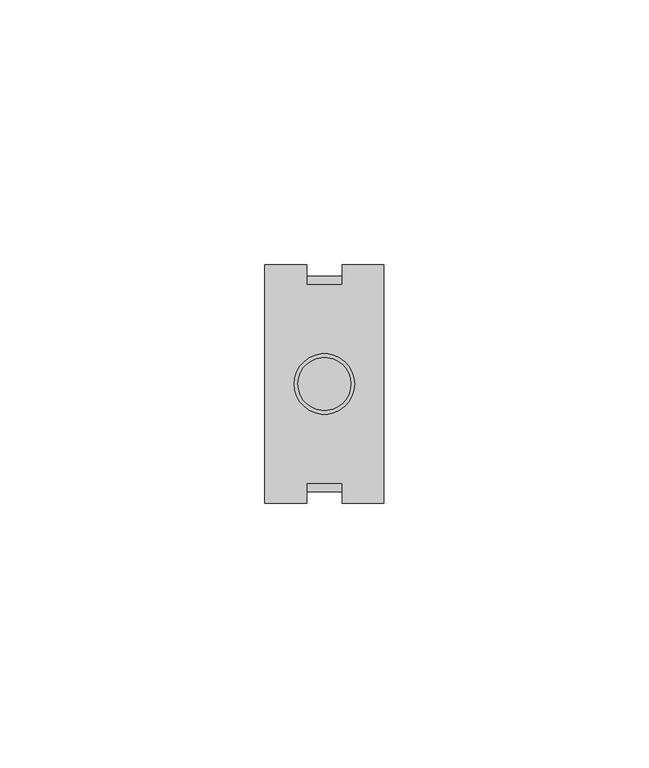
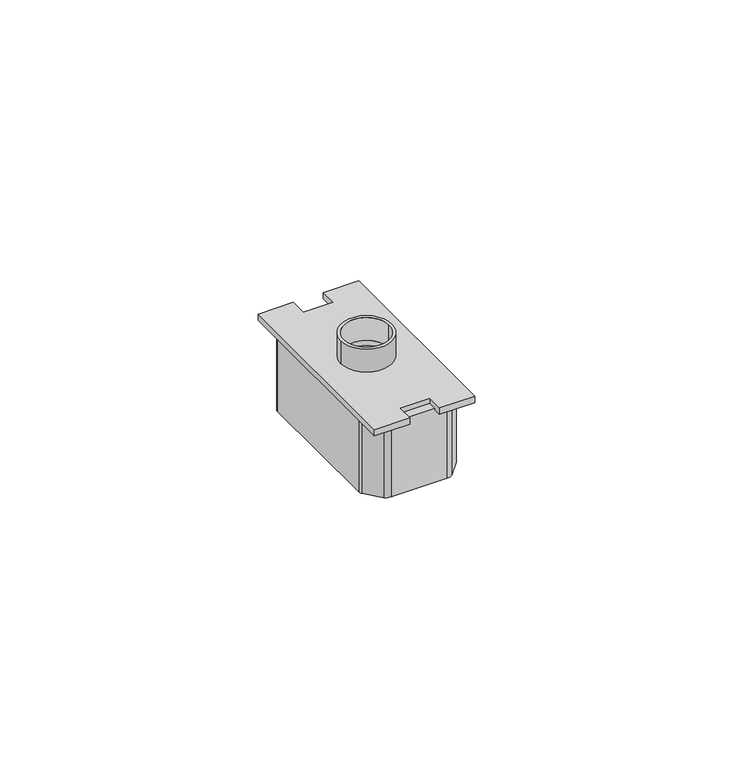
"""IFC4 building model written with IfcOpenShell, lengths in millimetres: proxy geometry."""

import ifcopenshell
import ifcopenshell.guid

model = None  # the IFC model being written
_history = None  # IfcOwnerHistory: only IFC2X3 demands one
_inside = {}  # id of a spatial element -> (the spatial element, [elements in it])
_under = {}  # id of a project, library or spatial element -> (it, [spatial elements below it])
_declared = {}  # id of a project -> (the project, [libraries it declares])
_typed = {}  # id of a type object -> (the type object, [elements of that type])
_made_of = {}  # id of a material, layer set ... -> (it, [elements and type objects made of it])


def new_model(schema):
    """Start an empty IFC model of exactly this schema.

    Asked for "IFC4X3", IfcOpenShell would pick the latest addendum, in which some entities
    have other attributes; the version numbers below select the first issue.
    IFC2X3 requires an IfcOwnerHistory on every rooted entity: one is made here for all.
    """
    global model, _history
    if schema == "IFC4X3":
        model = ifcopenshell.file(schema_version=(4, 3, 0, 0))
    else:
        model = ifcopenshell.file(schema=schema)
    _inside.clear()
    _under.clear()
    _declared.clear()
    _typed.clear()
    _made_of.clear()
    _history = None
    if model.schema == "IFC2X3":
        org = make("IfcOrganization", Name="unknown")
        user = make(
            "IfcPersonAndOrganization",
            ThePerson=make("IfcPerson", FamilyName="unknown"),
            TheOrganization=org,
        )
        app = make(
            "IfcApplication",
            ApplicationDeveloper=org,
            Version="unknown",
            ApplicationFullName="unknown",
            ApplicationIdentifier="unknown",
        )
        _history = make(
            "IfcOwnerHistory",
            OwningUser=user,
            OwningApplication=app,
            ChangeAction="ADDED",
            CreationDate=0,
        )
    return model


def make(cls, **values):
    """One entity of the class cls with the attributes given. An attribute that is None is left unset."""
    return model.create_entity(
        cls, **{name: value for name, value in values.items() if value is not None}
    )


def rooted(cls, **values):
    """An entity with a GlobalId (a new one), such as an element, a storey or a relation."""
    return make(cls, GlobalId=ifcopenshell.guid.new(), OwnerHistory=_history, **values)


def si_unit(unit_type, name, prefix=None):
    """IfcSIUnit, for example si_unit("LENGTHUNIT", "METRE", prefix="MILLI")."""
    return make("IfcSIUnit", UnitType=unit_type, Prefix=prefix, Name=name)


def assignment(units):
    """IfcUnitAssignment: the units of a project."""
    return None if units is None else make("IfcUnitAssignment", Units=units)


def point(xyz):
    """IfcCartesianPoint."""
    return None if xyz is None else make("IfcCartesianPoint", Coordinates=xyz)


def direction(xyz):
    """IfcDirection."""
    return None if xyz is None else make("IfcDirection", DirectionRatios=xyz)


def frame(location, z_axis=None, x_axis=None):
    """IfcAxis2Placement3D, a coordinate frame: its origin and axes. An axis left out is left unset."""
    return make(
        "IfcAxis2Placement3D",
        Location=point(location),
        Axis=direction(z_axis),
        RefDirection=direction(x_axis),
    )


def frame_2d(location, x_axis=None):
    """IfcAxis2Placement2D, a coordinate frame in the plane: its origin and x axis."""
    return make(
        "IfcAxis2Placement2D", Location=point(location), RefDirection=direction(x_axis)
    )


def origin():
    """The frame at (0, 0, 0) with its axes left unset."""
    return frame((0.0, 0.0, 0.0))


def origin_with_axes():
    """The frame at (0, 0, 0) with the z axis (0, 0, 1) and the x axis (1, 0, 0) written out."""
    return frame((0.0, 0.0, 0.0), z_axis=(0.0, 0.0, 1.0), x_axis=(1.0, 0.0, 0.0))


def place(relative_to, where):
    """IfcLocalPlacement: puts the frame where relative to a parent placement (None: the world)."""
    return make(
        "IfcLocalPlacement", PlacementRelTo=relative_to, RelativePlacement=where
    )


def context(
    kind, dimensions, precision=None, world=None, true_north=None, identifier=None
):
    """IfcGeometricRepresentationContext, for example the 3D "Model" context."""
    return make(
        "IfcGeometricRepresentationContext",
        ContextIdentifier=identifier,
        ContextType=kind,
        CoordinateSpaceDimension=dimensions,
        Precision=precision,
        WorldCoordinateSystem=world,
        TrueNorth=true_north,
    )


def project(units=None, contexts=None):
    """IfcProject with its units and contexts."""
    return rooted(
        "IfcProject",
        Name="project",
        RepresentationContexts=contexts,
        UnitsInContext=assignment(units),
    )


def spatial(cls, under=None, at=None, **own):
    """A site, building, storey or space (cls), placed at a placement, below another one or the project."""
    s = rooted(cls, ObjectPlacement=at, **own)
    if under is not None:
        _under.setdefault(under.id(), (under, []))[1].append(s)
    return s


def polyline(points):
    """IfcPolyline through the points."""
    return make("IfcPolyline", Points=[point(p) for p in points])


def circle_curve(where, radius):
    """IfcCircle in the frame where."""
    return make("IfcCircle", Position=where, Radius=radius)


def trimmed(basis, trim1, trim2, sense, master):
    """IfcTrimmedCurve: the piece of a basis curve between two trims."""
    return make(
        "IfcTrimmedCurve",
        BasisCurve=basis,
        Trim1=trim1,
        Trim2=trim2,
        SenseAgreement=sense,
        MasterRepresentation=master,
    )


def segment(curve, same_sense, transition):
    """IfcCompositeCurveSegment."""
    return make(
        "IfcCompositeCurveSegment",
        Transition=transition,
        SameSense=same_sense,
        ParentCurve=curve,
    )


def composite_curve(segments, self_intersect=None):
    """IfcCompositeCurve: segments joined end to end."""
    return make("IfcCompositeCurve", Segments=segments, SelfIntersect=self_intersect)


def outline(outer, holes=None, kind="AREA"):
    """IfcArbitraryClosedProfileDef: a profile drawn as a closed curve; with holes, ...WithVoids."""
    if holes is None:
        return make("IfcArbitraryClosedProfileDef", ProfileType=kind, OuterCurve=outer)
    return make(
        "IfcArbitraryProfileDefWithVoids",
        ProfileType=kind,
        OuterCurve=outer,
        InnerCurves=holes,
    )


def extrude(swept, where, along, depth):
    """IfcExtrudedAreaSolid: the profile swept, set in the frame where, extruded along a direction by depth."""
    return make(
        "IfcExtrudedAreaSolid",
        SweptArea=swept,
        Position=where,
        ExtrudedDirection=direction(along),
        Depth=depth,
    )


def shape(context_of_items, identifier, shape_type, items):
    """IfcShapeRepresentation: the items that make up one representation, for example the "Body"."""
    return make(
        "IfcShapeRepresentation",
        ContextOfItems=context_of_items,
        RepresentationIdentifier=identifier,
        RepresentationType=shape_type,
        Items=items,
    )


def source(mapping_origin, context_of_items, identifier, shape_type, items):
    """IfcRepresentationMap: a shape defined once, which mapped items show again and again."""
    return make(
        "IfcRepresentationMap",
        MappingOrigin=mapping_origin,
        MappedRepresentation=shape(context_of_items, identifier, shape_type, items),
    )


def transform(
    local_origin,
    x_axis=None,
    y_axis=None,
    z_axis=None,
    scale=None,
    scale2=None,
    scale3=None,
    uniform=True,
):
    """IfcCartesianTransformationOperator3D, or its non-uniform kind. x_axis, y_axis, z_axis: its Axis1, 2, 3."""
    if uniform:
        return make(
            "IfcCartesianTransformationOperator3D",
            Axis1=direction(x_axis),
            Axis2=direction(y_axis),
            LocalOrigin=point(local_origin),
            Scale=scale,
            Axis3=direction(z_axis),
        )
    return make(
        "IfcCartesianTransformationOperator3DnonUniform",
        Axis1=direction(x_axis),
        Axis2=direction(y_axis),
        LocalOrigin=point(local_origin),
        Scale=scale,
        Axis3=direction(z_axis),
        Scale2=scale2,
        Scale3=scale3,
    )


def mapped(mapping_source, mapping_target):
    """IfcMappedItem: shows the shape of a source again, moved by a transform."""
    return make(
        "IfcMappedItem", MappingSource=mapping_source, MappingTarget=mapping_target
    )


def made_of(thing, what):
    """Note that an element or type object is made of a material, layer set ...; save() writes the relation."""
    if what is not None:
        _made_of.setdefault(what.id(), (what, []))[1].append(thing)
    return thing


def element(
    cls,
    number,
    at=None,
    inside=None,
    cuts=None,
    type_object=None,
    material=None,
    context=None,
    identifier="Body",
    shape_type=None,
    held_by="IfcProductDefinitionShape",
    body=None,
    shapes=None,
    **own,
):
    """One element of the class cls, such as IfcWall. Its Tag is "e" and its number.

    at: its placement. inside: the storey or other place that contains it. cuts: it is an
    opening in that element (IfcRelVoidsElement). A single representation is given by context,
    identifier, shape_type and body (its items); several are given by shapes. held_by: the class
    of the entity that holds the representations. save() writes the other relations.
    """
    e = rooted(cls, Tag="e%d" % number, ObjectPlacement=at, **own)
    if body is not None:
        shapes = [shape(context, identifier, shape_type, body)]
    if shapes is not None:
        e.Representation = make(held_by, Representations=shapes)
    if inside is not None:
        _inside.setdefault(inside.id(), (inside, []))[1].append(e)
    if cuts is not None:
        rooted(
            "IfcRelVoidsElement", RelatingBuildingElement=cuts, RelatedOpeningElement=e
        )
    if type_object is not None:
        _typed.setdefault(type_object.id(), (type_object, []))[1].append(e)
    return made_of(e, material)


def aggregate(whole, parts):
    """IfcRelAggregates: a whole, such as a stair, and the parts it consists of."""
    return rooted("IfcRelAggregates", RelatingObject=whole, RelatedObjects=parts)


def save(model, path):
    """Write the relations noted so far, then the file.

    IfcRelAggregates (storeys below a building ...), IfcRelContainedInSpatialStructure (elements
    in a storey), IfcRelDefinesByType, IfcRelAssociatesMaterial and IfcRelDeclares: one each for
    every whole, place, type object, material and project.
    """
    for whole, parts in _under.values():
        aggregate(whole, parts)
    for where, things in _inside.values():
        rooted(
            "IfcRelContainedInSpatialStructure",
            RelatedElements=things,
            RelatingStructure=where,
        )
    for kind, things in _typed.values():
        rooted("IfcRelDefinesByType", RelatedObjects=things, RelatingType=kind)
    for what, things in _made_of.values():
        rooted("IfcRelAssociatesMaterial", RelatedObjects=things, RelatingMaterial=what)
    for by, libraries in _declared.values():
        rooted("IfcRelDeclares", RelatingContext=by, RelatedDefinitions=libraries)
    model.write(path)


def electrical_fixtures_76ae7487(model_context):
    return source(origin(), model_context, "Body", "SweptSolid", [
        extrude(outline(composite_curve([segment(trimmed(circle_curve(frame_2d((11.25, 22.5)), 5.6986151), [point((5.5513849, 22.5))], [point((16.9486151, 22.5))], False, "CARTESIAN"), True, "CONTINUOUS"), segment(trimmed(circle_curve(frame_2d((11.25, 22.5)), 5.6986151), [point((16.9486151, 22.5))], [point((5.5513849, 22.5))], False, "CARTESIAN"), True, "CONTINUOUS")], self_intersect=False), holes=[composite_curve([segment(trimmed(circle_curve(frame_2d((11.25, 22.5)), 5.0), [point((6.25, 22.5))], [point((16.25, 22.5))], True, "CARTESIAN"), True, "CONTINUOUS"), segment(trimmed(circle_curve(frame_2d((11.25, 22.5)), 5.0), [point((16.25, 22.5))], [point((6.25, 22.5))], True, "CARTESIAN"), True, "CONTINUOUS")], self_intersect=False)]), frame((0.0, 0.0, 1.5), z_axis=(0.0, 0.0, 1.0), x_axis=(1.0, 0.0, 0.0)), (0.0, 0.0, 1.0), 5.3722979),
        extrude(outline(composite_curve([segment(trimmed(circle_curve(frame_2d((22.9785709, 22.0163771)), 28.0250427), [point((0.6708855, 38.9801677))], [point((3.6496058, 42.3090883))], False, "CARTESIAN"), True, "CONTINUOUS"), segment(trimmed(circle_curve(frame_2d((5.0058625, 40.8852084)), 1.9664349), [point((3.6496058, 42.3090883))], [point((5.0058625, 42.8516432))], False, "CARTESIAN"), True, "CONTINUOUS"), segment(polyline([(5.0058625, 42.8516432), (17.4941375, 42.8516432)]), True, "CONTINUOUS"), segment(trimmed(circle_curve(frame_2d((17.4941375, 40.8852084)), 1.9664349), [point((17.4941375, 42.8516432))], [point((18.8503942, 42.3090883))], False, "CARTESIAN"), True, "CONTINUOUS"), segment(trimmed(circle_curve(frame_2d((-0.4785709, 22.0163771)), 28.0250427), [point((18.8503942, 42.3090883))], [point((21.8291145, 38.9801677))], False, "CARTESIAN"), True, "CONTINUOUS"), segment(trimmed(circle_curve(frame_2d((20.8665201, 38.2481666)), 1.2093029), [point((21.8291145, 38.9801677))], [point((22.075823, 38.2481666))], False, "CARTESIAN"), True, "CONTINUOUS"), segment(polyline([(22.075823, 38.2481666), (22.075823, 6.7518334)]), True, "CONTINUOUS"), segment(trimmed(circle_curve(frame_2d((20.8665201, 6.7518334)), 1.2093029), [point((22.075823, 6.7518334))], [point((21.8291145, 6.0198323))], False, "CARTESIAN"), True, "CONTINUOUS"), segment(trimmed(circle_curve(frame_2d((-0.4785709, 22.9836229)), 28.0250427), [point((21.8291145, 6.0198323))], [point((18.8503942, 2.6909117))], False, "CARTESIAN"), True, "CONTINUOUS"), segment(trimmed(circle_curve(frame_2d((17.4941375, 4.1147916)), 1.9664349), [point((18.8503942, 2.6909117))], [point((17.4941375, 2.1483568))], False, "CARTESIAN"), True, "CONTINUOUS"), segment(polyline([(17.4941375, 2.1483568), (5.0058625, 2.1483568)]), True, "CONTINUOUS"), segment(trimmed(circle_curve(frame_2d((5.0058625, 4.1147916)), 1.9664349), [point((5.0058625, 2.1483568))], [point((3.6496058, 2.6909117))], False, "CARTESIAN"), True, "CONTINUOUS"), segment(trimmed(circle_curve(frame_2d((22.9785709, 22.9836229)), 28.0250427), [point((3.6496058, 2.6909117))], [point((0.6708855, 6.0198323))], False, "CARTESIAN"), True, "CONTINUOUS"), segment(trimmed(circle_curve(frame_2d((1.6334799, 6.7518334)), 1.2093029), [point((0.6708855, 6.0198323))], [point((0.424177, 6.7518334))], False, "CARTESIAN"), True, "CONTINUOUS"), segment(polyline([(0.424177, 6.7518334), (0.424177, 38.2481666)]), True, "CONTINUOUS"), segment(trimmed(circle_curve(frame_2d((1.6334799, 38.2481666)), 1.2093029), [point((0.424177, 38.2481666))], [point((0.6708855, 38.9801677))], False, "CARTESIAN"), True, "CONTINUOUS")], self_intersect=False)), frame((0.0, 0.0, -17.5074078), z_axis=(0.0, 0.0, 1.0), x_axis=(1.0, 0.0, 0.0)), (0.0, 0.0, 1.0), 17.5074078),
        extrude(outline(polyline([(0.0, 0.0), (0.0, 45.0), (7.9131171, 45.0), (7.9131171, 41.2139641), (14.5868829, 41.2139641), (14.5868829, 45.0), (22.5, 45.0), (22.5, 0.0), (14.5868829, 0.0), (14.5868829, 3.7860359), (7.9131171, 3.7860359), (7.9131171, 0.0), (0.0, 0.0)]), holes=[composite_curve([segment(trimmed(circle_curve(frame_2d((11.25, 22.5)), 5.0), [point((16.25, 22.5))], [point((6.25, 22.5))], True, "CARTESIAN"), True, "CONTINUOUS"), segment(trimmed(circle_curve(frame_2d((11.25, 22.5)), 5.0), [point((6.25, 22.5))], [point((16.25, 22.5))], True, "CARTESIAN"), True, "CONTINUOUS")], self_intersect=False)]), origin_with_axes(), (0.0, 0.0, 1.0), 1.5),
    ])


if __name__ == "__main__":
    model = new_model("IFC4")
    model_context = context("Model", 3, world=origin())
    ifc_project = project(units=[si_unit("LENGTHUNIT", "METRE", prefix="MILLI")], contexts=[model_context])
    site = spatial("IfcSite", under=ifc_project)
    building = spatial("IfcBuilding", under=site)
    placement = place(None, origin())
    electrical_fixtures_shape = electrical_fixtures_76ae7487(model_context)
    element("IfcBuildingElementProxy", 1, Name="Electrical Fixtures", at=placement, inside=building, context=model_context, shape_type="MappedRepresentation", body=[
        mapped(electrical_fixtures_shape, transform((0.0, 0.0, 0.0), x_axis=(1.0, 0.0, 0.0), y_axis=(0.0, 1.0, 0.0), z_axis=(0.0, 0.0, 1.0))),
    ])
    save(model, "model.ifc")
